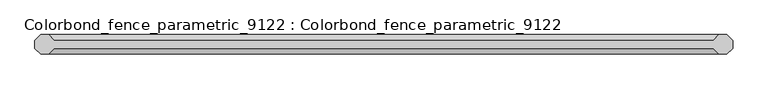
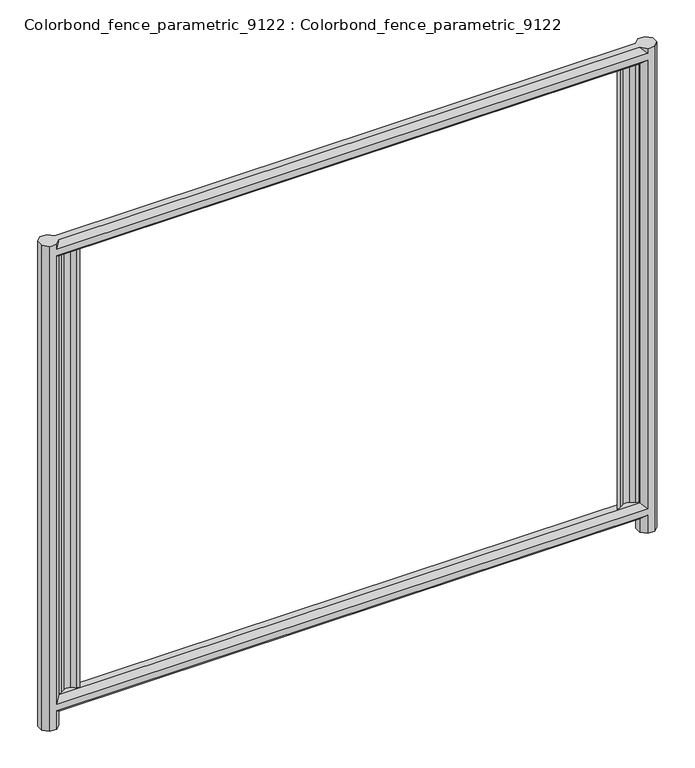
"""IFC4 building model written with IfcOpenShell, lengths in millimetres: geographic element geometry, Colorbond_fence_parametric_9122 : Colorbond_fence_parametric_9122."""

from ifc_helpers import new_model, si_unit, point, frame, frame_2d, origin, place, context, project, spatial, polyline, circle_curve, trimmed, segment, composite_curve, outline, extrude, faceted_brep, source, transform, mapped, element, save


def colorbond_fence_parametric_9122_colorbond_fence_parametric_f2213064(model_context):
    return source(origin(), model_context, "Body", "SolidModel", [
        extrude(outline(composite_curve([segment(trimmed(circle_curve(frame_2d((957.9052529, 13.9335607)), 21.4733449), [point((957.9052529, -7.5397842))], [point((968.6040552, -4.6847145))], True, "CARTESIAN"), True, "CONTINUOUS"), segment(polyline([(968.6040552, -4.6847145), (984.16325, 5.3129837)]), True, "CONTINUOUS"), segment(trimmed(circle_curve(frame_2d((995.9012683, -15.1415588)), 23.5832437), [point((984.16325, 5.3129837))], [point((1007.6392863, 5.3129839))], False, "CARTESIAN"), True, "CONTINUOUS"), segment(polyline([(1007.6392863, 5.3129839), (1023.1915269, -4.6802451)]), True, "CONTINUOUS"), segment(trimmed(circle_curve(frame_2d((1033.8972838, 14.6914759)), 22.1331608), [point((1023.1915269, -4.6802451))], [point((1033.8972836, -7.4416849))], True, "CARTESIAN"), True, "CONTINUOUS"), segment(polyline([(1033.8972836, -7.4416849), (1033.8972836, -8.4416849)]), True, "CONTINUOUS"), segment(trimmed(circle_curve(frame_2d((1033.8972838, 14.6914759)), 23.1331608), [point((1033.8972836, -8.4416849))], [point((1022.6785174, -5.5392534))], False, "CARTESIAN"), True, "CONTINUOUS"), segment(polyline([(1022.6785174, -5.5392534), (1007.1200349, 4.4579864)]), True, "CONTINUOUS"), segment(trimmed(circle_curve(frame_2d((995.9012683, -15.1415588)), 22.5832437), [point((1007.1200349, 4.4579864))], [point((984.6825014, 4.4579862))], True, "CARTESIAN"), True, "CONTINUOUS"), segment(polyline([(984.6825014, 4.4579862), (969.1240199, -5.5392536)]), True, "CONTINUOUS"), segment(trimmed(circle_curve(frame_2d((957.9052529, 13.9335607)), 22.4733449), [point((969.1240199, -5.5392536))], [point((957.9052529, -8.5397842))], False, "CARTESIAN"), True, "CONTINUOUS"), segment(polyline([(957.9052529, -8.5397842), (957.9052529, -7.5397842)]), True, "CONTINUOUS")], self_intersect=False)), frame((0.0, 0.0, 110.0), z_axis=(0.0, 0.0, 1.0), x_axis=(1.0, 0.0, 0.0)), (0.0, 0.0, 1.0), 1630.0),
        extrude(outline(composite_curve([segment(trimmed(circle_curve(frame_2d((-1006.0947471, 13.9335607)), 21.4733449), [point((-1006.0947471, -7.5397842))], [point((-995.3959448, -4.6847145))], True, "CARTESIAN"), True, "CONTINUOUS"), segment(polyline([(-995.3959448, -4.6847145), (-979.83675, 5.3129837)]), True, "CONTINUOUS"), segment(trimmed(circle_curve(frame_2d((-968.0987317, -15.1415588)), 23.5832437), [point((-979.83675, 5.3129837))], [point((-956.3607137, 5.3129839))], False, "CARTESIAN"), True, "CONTINUOUS"), segment(polyline([(-956.3607137, 5.3129839), (-940.8084731, -4.6802451)]), True, "CONTINUOUS"), segment(trimmed(circle_curve(frame_2d((-930.1027162, 14.6914759)), 22.1331608), [point((-940.8084731, -4.6802451))], [point((-930.1027164, -7.4416849))], True, "CARTESIAN"), True, "CONTINUOUS"), segment(polyline([(-930.1027164, -7.4416849), (-930.1027164, -8.4416849)]), True, "CONTINUOUS"), segment(trimmed(circle_curve(frame_2d((-930.1027162, 14.6914759)), 23.1331608), [point((-930.1027164, -8.4416849))], [point((-941.3214826, -5.5392534))], False, "CARTESIAN"), True, "CONTINUOUS"), segment(polyline([(-941.3214826, -5.5392534), (-956.8799651, 4.4579864)]), True, "CONTINUOUS"), segment(trimmed(circle_curve(frame_2d((-968.0987317, -15.1415588)), 22.5832437), [point((-956.8799651, 4.4579864))], [point((-979.3174986, 4.4579862))], True, "CARTESIAN"), True, "CONTINUOUS"), segment(polyline([(-979.3174986, 4.4579862), (-994.8759801, -5.5392536)]), True, "CONTINUOUS"), segment(trimmed(circle_curve(frame_2d((-1006.0947471, 13.9335607)), 22.4733449), [point((-994.8759801, -5.5392536))], [point((-1006.0947471, -8.5397842))], False, "CARTESIAN"), True, "CONTINUOUS"), segment(polyline([(-1006.0947471, -8.5397842), (-1006.0947471, -7.5397842)]), True, "CONTINUOUS")], self_intersect=False)), frame((0.0, 0.0, 110.0), z_axis=(0.0, 0.0, 1.0), x_axis=(1.0, 0.0, 0.0)), (0.0, 0.0, 1.0), 1630.0),
        faceted_brep([(1076.3316598, 30.0, 1800.0), (1051.4788461, 30.0, 1800.0), (1033.9052529, 12.4264069, 1800.0), (-1006.0947471, 12.4264069, 1800.0), (-1023.6683402, 30.0, 1800.0), (-1048.5211539, 30.0, 1800.0), (-1066.0947471, 12.4264069, 1800.0), (-1066.0947471, -12.4264069, 1800.0), (-1048.5211539, -30.0, 1800.0), (-1023.6683402, -30.0, 1800.0), (-1006.0947471, -12.4264069, 1800.0), (1033.9052529, -12.4264069, 1800.0), (1051.4788461, -30.0, 1800.0), (1076.3316598, -30.0, 1800.0), (1093.9052529, -12.4264069, 1800.0), (1093.9052529, 12.4264069, 1800.0), (1076.3316598, 30.0, 0.0), (1093.9052529, 12.4264069, 0.0), (1093.9052529, -12.4264069, 0.0), (1076.3316598, -30.0, 0.0), (1051.4788461, -30.0, 0.0), (1033.9052529, -12.4264069, 0.0), (1033.9052529, 12.4264069, 0.0), (1051.4788461, 30.0, 0.0), (1051.4788461, 30.0, 67.5735931), (-1023.6683402, 30.0, 67.5735931), (-1023.6683402, 30.0, 0.0), (-1048.5211539, 30.0, 0.0), (-1023.6683402, 30.0, 1782.4264069), (1051.4788461, 30.0, 1782.4264069), (1051.4788461, 30.0, 1757.5735931), (-1023.6683402, 30.0, 1757.5735931), (-1023.6683402, 30.0, 92.4264069), (1051.4788461, 30.0, 92.4264069), (1033.9052529, 12.4264069, 50.0), (1033.9052529, 12.4264069, 110.0), (1033.9052529, 12.4264069, 1740.0), (1033.9052529, -12.4264069, 50.0), (1033.9052529, -12.4264069, 110.0), (1033.9052529, -12.4264069, 1740.0), (1051.4788461, -30.0, 1782.4264069), (1051.4788461, -30.0, 67.5735931), (1051.4788461, -30.0, 92.4264069), (1051.4788461, -30.0, 1757.5735931), (-1023.6683402, -30.0, 1782.4264069), (-1048.5211539, -30.0, 0.0), (-1023.6683402, -30.0, 0.0), (-1023.6683402, -30.0, 67.5735931), (-1023.6683402, -30.0, 92.4264069), (-1023.6683402, -30.0, 1757.5735931), (-1006.0947471, 12.4264069, 1740.0), (-1006.0947471, -12.4264069, 1740.0), (-1006.0947471, 12.4264069, 110.0), (-1006.0947471, -12.4264069, 110.0), (-1006.0947471, 12.4264069, 50.0), (-1006.0947471, -12.4264069, 50.0), (-1006.0947471, 12.4264069, 0.0), (-1006.0947471, -12.4264069, 0.0), (-1066.0947471, -12.4264069, 0.0), (-1066.0947471, 12.4264069, 0.0)], [[[0, 1, 2, 3, 4, 5, 6, 7, 8, 9, 10, 11, 12, 13, 14, 15]], [[16, 17, 18, 19, 20, 21, 22, 23]], [[1, 0, 16, 23, 24, 25, 26, 27, 5, 4, 28, 29], [30, 31, 32, 33]], [[2, 1, 29]], [[23, 22, 34, 24]], [[30, 33, 35, 36]], [[22, 21, 37, 34]], [[36, 35, 38, 39]], [[12, 11, 40]], [[21, 20, 41, 37]], [[39, 38, 42, 43]], [[13, 12, 40, 44, 9, 8, 45, 46, 47, 41, 20, 19], [42, 48, 49, 43]], [[14, 13, 19, 18]], [[15, 14, 18, 17]], [[0, 15, 17, 16]], [[2, 29, 28, 3]], [[30, 36, 50, 31]], [[36, 39, 51, 50]], [[39, 43, 49, 51]], [[40, 11, 10, 44]], [[38, 35, 52, 53]], [[35, 33, 32, 52]], [[24, 34, 54, 25]], [[34, 37, 55, 54]], [[37, 41, 47, 55]], [[42, 38, 53, 48]], [[26, 56, 57, 46, 45, 58, 59, 27]], [[6, 5, 27, 59]], [[7, 6, 59, 58]], [[8, 7, 58, 45]], [[10, 9, 44]], [[46, 57, 55, 47]], [[53, 51, 49, 48]], [[57, 56, 54, 55]], [[51, 53, 52, 50]], [[4, 3, 28]], [[32, 31, 50, 52]], [[56, 26, 25, 54]]]),
    ])


if __name__ == "__main__":
    model = new_model("IFC4")
    model_context = context("Model", 3, world=origin())
    ifc_project = project(units=[si_unit("LENGTHUNIT", "METRE", prefix="MILLI")], contexts=[model_context])
    site = spatial("IfcSite", under=ifc_project)
    building = spatial("IfcBuilding", under=site)
    placement = place(None, origin())
    colorbond_fence_parametric_9122_colorbond_fence_parametric_shape = colorbond_fence_parametric_9122_colorbond_fence_parametric_f2213064(model_context)
    element("IfcGeographicElement", 1, ObjectType="Colorbond_fence_parametric_9122 : Colorbond_fence_parametric_9122", at=placement, inside=building, context=model_context, shape_type="MappedRepresentation", body=[
        mapped(colorbond_fence_parametric_9122_colorbond_fence_parametric_shape, transform((0.0, 0.0, 0.0), x_axis=(1.0, 0.0, 0.0), y_axis=(0.0, 1.0, 0.0), z_axis=(0.0, 0.0, 1.0))),
    ])
    save(model, "model.ifc")
